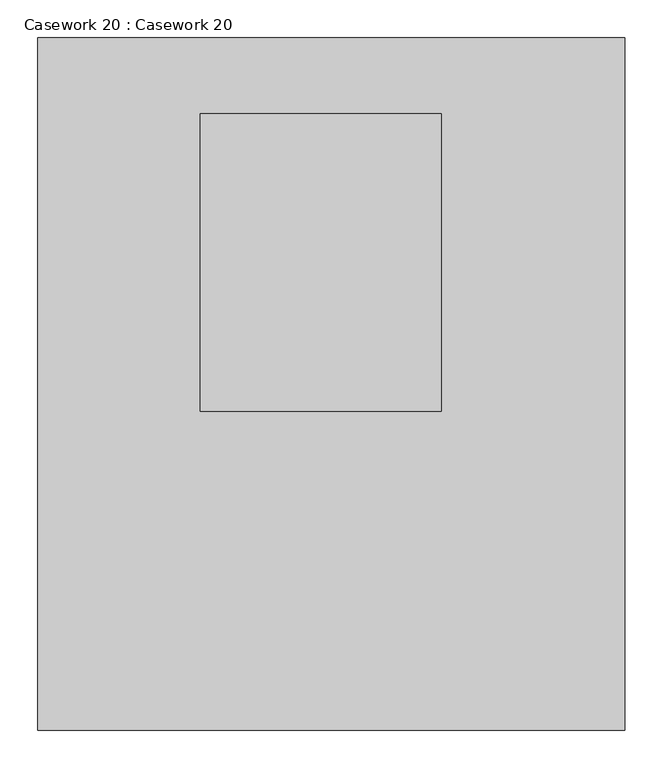
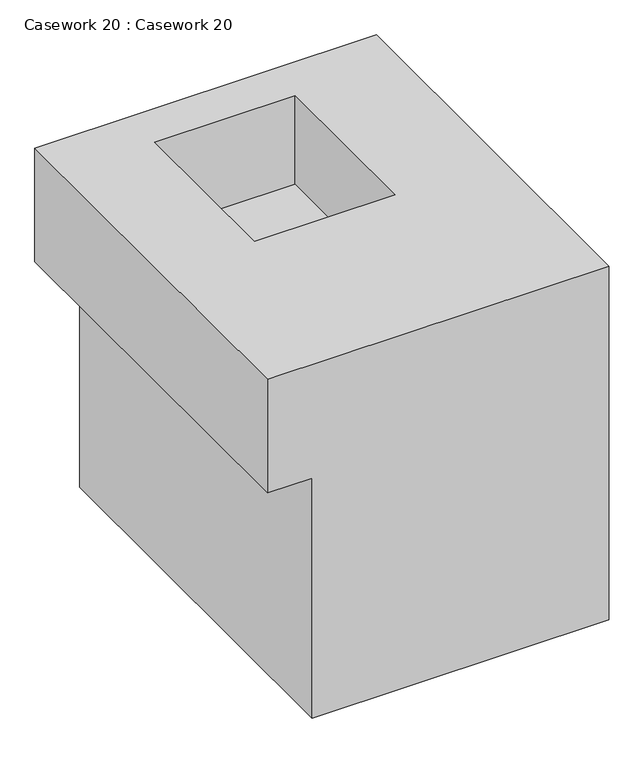
"""IFC4 building model written with IfcOpenShell, lengths in millimetres: furniture geometry, Casework 20 : Casework 20."""

from ifc_helpers import new_model, si_unit, origin, place, context, project, spatial, faceted_brep, source, transform, mapped, element, save


def casework_20_casework_20_5f3fc9c0(model_context):
    return source(origin(), model_context, "Body", "Brep", [
        faceted_brep([(-22231.3284538, 3882.1750602, -5804.5496924), (-21454.7015147, 3882.1750602, -5804.5496924), (-21454.7015147, 3882.1750602, -6654.8), (-22129.7284538, 3882.1750602, -6654.8), (-22129.7284538, 3882.1750602, -6077.5996924), (-22231.3284538, 3882.1750602, -6077.5996924), (-22231.3284538, 2966.5604061, -5804.5496924), (-22231.3284538, 2966.5604061, -6077.5996924), (-22129.7284538, 2966.5604061, -6077.5996924), (-22129.7284538, 2966.5604061, -6654.8), (-21454.7015147, 2966.5604061, -6654.8), (-21454.7015147, 2966.5604061, -5804.5496924), (-21697.8106436, 3388.4613049, -5804.5496924), (-22016.6560447, 3388.4613049, -5804.5496924), (-22016.6560447, 3781.9613049, -5804.5496924), (-21697.8106436, 3781.9613049, -5804.5496924), (-22016.6560447, 3388.4613049, -6017.0746924), (-21697.8106436, 3388.4613049, -6017.0746924), (-21697.8106436, 3781.9613049, -6017.0746924), (-22016.6560447, 3781.9613049, -6017.0746924)], [[[0, 1, 2, 3, 4, 5]], [[6, 7, 8, 9, 10, 11]], [[1, 0, 6, 11], [12, 13, 14, 15]], [[2, 1, 11, 10]], [[3, 2, 10, 9]], [[4, 3, 9, 8]], [[5, 4, 8, 7]], [[0, 5, 7, 6]], [[16, 17, 18, 19]], [[17, 16, 13, 12]], [[18, 17, 12, 15]], [[19, 18, 15, 14]], [[16, 19, 14, 13]]]),
    ])


if __name__ == "__main__":
    model = new_model("IFC4")
    model_context = context("Model", 3, world=origin())
    ifc_project = project(units=[si_unit("LENGTHUNIT", "METRE", prefix="MILLI")], contexts=[model_context])
    site = spatial("IfcSite", under=ifc_project)
    building = spatial("IfcBuilding", under=site)
    placement = place(None, origin())
    casework_20_casework_20_shape = casework_20_casework_20_5f3fc9c0(model_context)
    element("IfcFurniture", 1, ObjectType="Casework 20 : Casework 20", at=placement, inside=building, context=model_context, shape_type="MappedRepresentation", body=[
        mapped(casework_20_casework_20_shape, transform((0.0, 0.0, 0.0), x_axis=(1.0, 0.0, 0.0), y_axis=(0.0, 1.0, 0.0), z_axis=(0.0, 0.0, 1.0))),
    ])
    save(model, "model.ifc")
